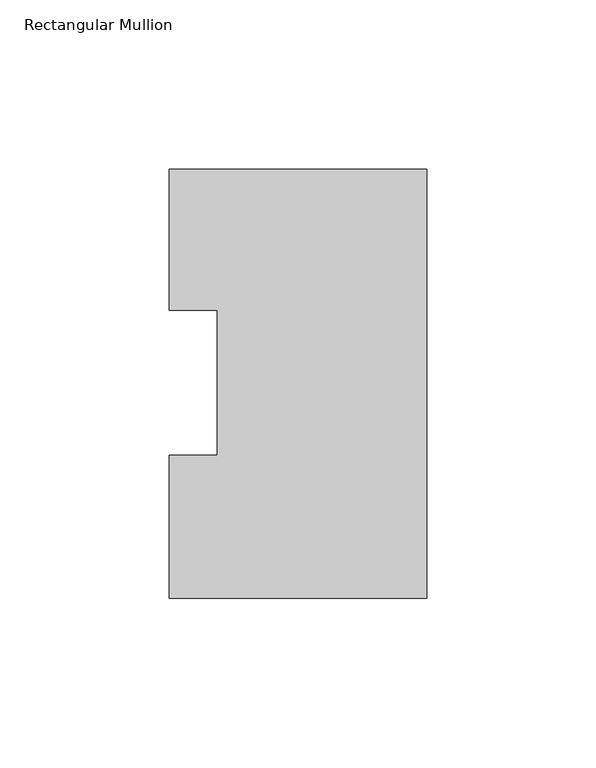
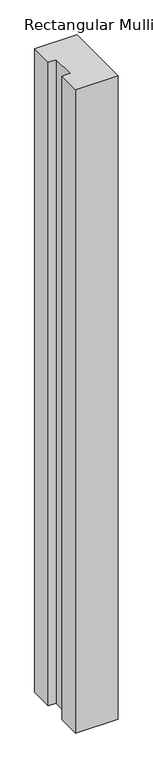
"""IFC4 building model written with IfcOpenShell, lengths in millimetres: member geometry, Rectangular Mullion."""

from ifc_helpers import new_model, si_unit, frame, origin, place, context, project, spatial, polyline, outline, extrude, source, transform, mapped, element, save


def rectangular_mullion_32a1c53a(model_context):
    return source(origin(), model_context, "Body", "SweptSolid", [
        extrude(outline(polyline([(-76.1994574, 126.9888875), (0.0, 126.9888875), (0.0, -0.0111125), (-76.1994574, -0.0111125), (-76.1994574, 42.2798875), (-61.9139549, 42.2798875), (-61.9139549, 85.1296875), (-76.1994574, 85.1296875), (-76.1994574, 126.9888875)])), frame((0.0, 0.0, -1219.2), z_axis=(0.0, 0.0, 1.0), x_axis=(1.0, 0.0, 0.0)), (0.0, 0.0, 1.0), 1219.2),
    ])


if __name__ == "__main__":
    model = new_model("IFC4")
    model_context = context("Model", 3, world=origin())
    ifc_project = project(units=[si_unit("LENGTHUNIT", "METRE", prefix="MILLI")], contexts=[model_context])
    site = spatial("IfcSite", under=ifc_project)
    building = spatial("IfcBuilding", under=site)
    placement = place(None, origin())
    rectangular_mullion_shape = rectangular_mullion_32a1c53a(model_context)
    element("IfcMember", 1, ObjectType="Rectangular Mullion", at=placement, inside=building, context=model_context, shape_type="MappedRepresentation", body=[
        mapped(rectangular_mullion_shape, transform((0.0, 0.0, 0.0), x_axis=(1.0, 0.0, 0.0), y_axis=(0.0, 1.0, 0.0), z_axis=(0.0, 0.0, 1.0))),
    ])
    save(model, "model.ifc")
